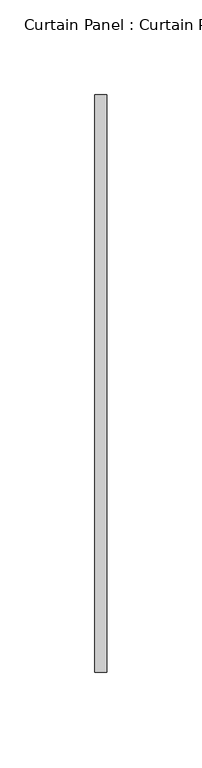
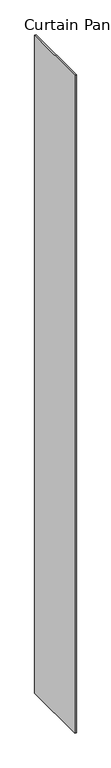
"""IFC4 building model written with IfcOpenShell, lengths in millimetres: plate geometry, Curtain Panel : Curtain Panel."""

from ifc_helpers import new_model, si_unit, origin, origin_with_axes, place, context, project, spatial, polyline, outline, extrude, source, transform, mapped, element, save


def curtain_panel_curtain_panel_fbb2d387(model_context):
    return source(origin(), model_context, "Body", "SweptSolid", [
        extrude(outline(polyline([(216440.8096927, 2106.2480082), (216440.8096927, 2411.045337), (216447.1596927, 2411.045337), (216447.1596927, 2106.2480082), (216440.8096927, 2106.2480082)])), origin_with_axes(), (0.0, 0.0, 1.0), 3048.0),
    ])


if __name__ == "__main__":
    model = new_model("IFC4")
    model_context = context("Model", 3, world=origin())
    ifc_project = project(units=[si_unit("LENGTHUNIT", "METRE", prefix="MILLI")], contexts=[model_context])
    site = spatial("IfcSite", under=ifc_project)
    building = spatial("IfcBuilding", under=site)
    placement = place(None, origin())
    curtain_panel_curtain_panel_shape = curtain_panel_curtain_panel_fbb2d387(model_context)
    element("IfcPlate", 1, ObjectType="Curtain Panel : Curtain Panel", at=placement, inside=building, context=model_context, shape_type="MappedRepresentation", body=[
        mapped(curtain_panel_curtain_panel_shape, transform((0.0, 0.0, 0.0), x_axis=(1.0, 0.0, 0.0), y_axis=(0.0, 1.0, 0.0), z_axis=(0.0, 0.0, 1.0))),
    ])
    save(model, "model.ifc")
